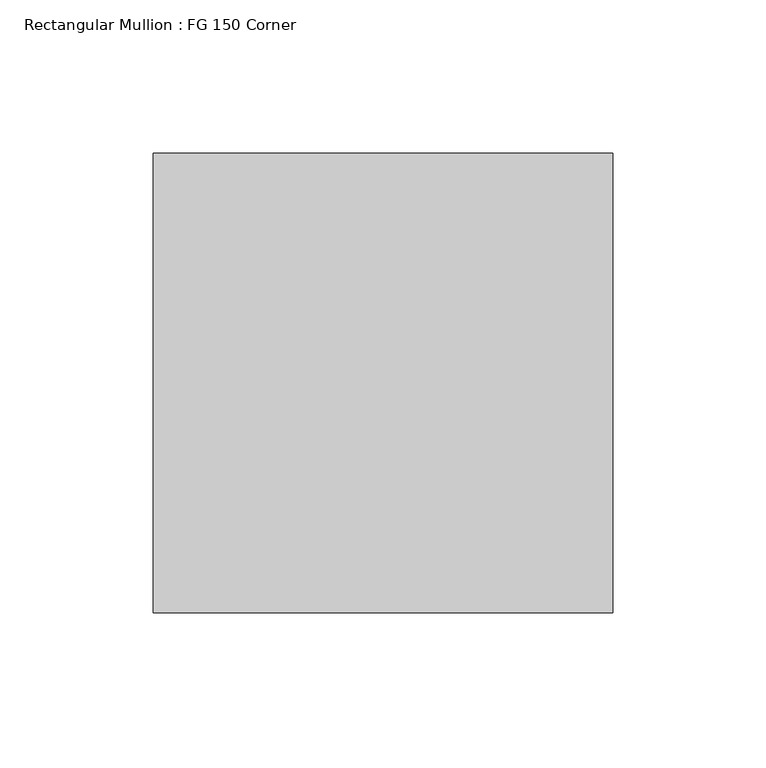
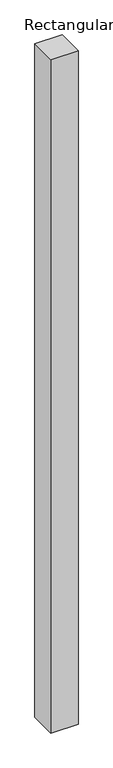
"""IFC4 building model written with IfcOpenShell, lengths in millimetres: member geometry, Rectangular Mullion : FG 150 Corner."""

from ifc_helpers import new_model, si_unit, frame, origin, place, context, project, spatial, polyline, outline, extrude, source, transform, mapped, element, save


def rectangular_mullion_fg_150_corner_32b1a0a3(model_context):
    return source(origin(), model_context, "Body", "SweptSolid", [
        extrude(outline(polyline([(0.0, 75.0), (0.0, -75.0), (-150.0, -75.0), (-150.0, 75.0), (0.0, 75.0)])), frame((0.0, 0.0, -3908.0), z_axis=(0.0, 0.0, 1.0), x_axis=(1.0, 0.0, 0.0)), (0.0, 0.0, 1.0), 3908.0),
    ])


if __name__ == "__main__":
    model = new_model("IFC4")
    model_context = context("Model", 3, world=origin())
    ifc_project = project(units=[si_unit("LENGTHUNIT", "METRE", prefix="MILLI")], contexts=[model_context])
    site = spatial("IfcSite", under=ifc_project)
    building = spatial("IfcBuilding", under=site)
    placement = place(None, origin())
    rectangular_mullion_fg_150_corner_shape = rectangular_mullion_fg_150_corner_32b1a0a3(model_context)
    element("IfcMember", 1, ObjectType="Rectangular Mullion : FG 150 Corner", at=placement, inside=building, context=model_context, shape_type="MappedRepresentation", body=[
        mapped(rectangular_mullion_fg_150_corner_shape, transform((0.0, 0.0, 0.0), x_axis=(1.0, 0.0, 0.0), y_axis=(0.0, 1.0, 0.0), z_axis=(0.0, 0.0, 1.0))),
    ])
    save(model, "model.ifc")
